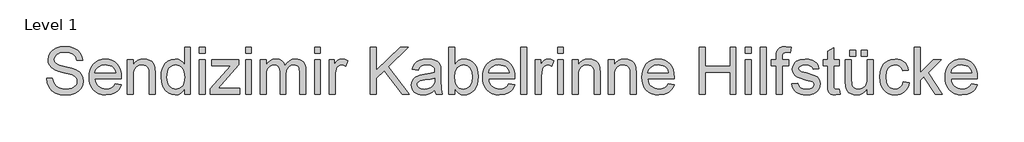
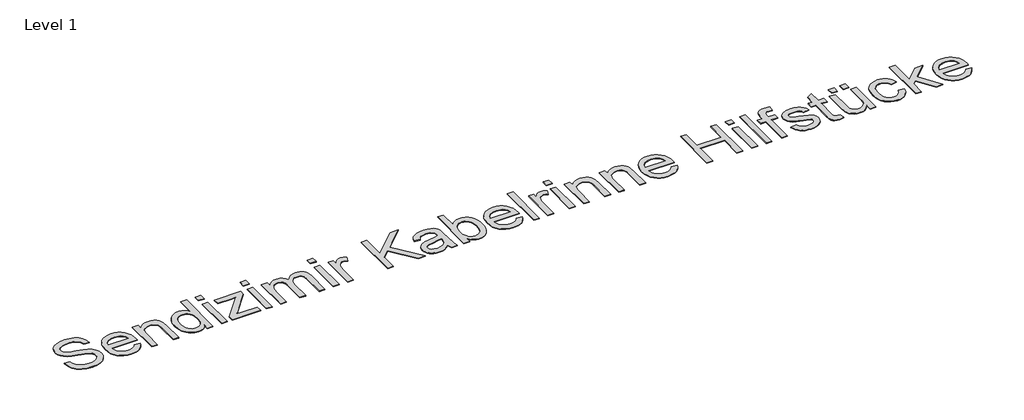
# One storey, part 10 of 15: 1 proxy.
"""IFC4 building model written with IfcOpenShell, lengths in millimetres."""

from ifc_helpers import new_model, si_unit, origin, origin_with_axes, place, context, project, spatial, polyline, outline, extrude, element, save

model = new_model("IFC4")

# Units and contexts
model_context = context("Model", 3, world=origin())
ifc_project = project(units=[si_unit("LENGTHUNIT", "METRE", prefix="MILLI")], contexts=[model_context])

# Site, building, storey
site = spatial("IfcSite", under=ifc_project)
building = spatial("IfcBuilding", under=site)
storey = spatial("IfcBuildingStorey", under=building, Name="Level 1", Elevation=0.0)

# Proxy
placement = place(None, origin())
element("IfcBuildingElementProxy", 1, Name="400mm", ObjectType="400mm", at=placement, inside=storey, context=model_context, shape_type="SweptSolid", body=[
    extrude(outline(polyline([(-11424.3162501, -14461.209106), (-11375.3465532, -14461.209106), (-11369.7274717, -14488.3839403), (-11359.5653032, -14510.2266249), (-11343.7123202, -14527.562089), (-11321.0207956, -14541.2152613), (-11293.2840532, -14550.0742812), (-11262.2954168, -14553.0272878), (-11235.0129831, -14550.7916107), (-11211.1259092, -14544.0845795), (-11191.769967, -14533.4681022), (-11178.0809282, -14519.5040871), (-11169.9392378, -14503.4717717), (-11167.225341, -14486.6503939), (-11169.2577748, -14470.2594138), (-11175.3550759, -14456.0921552), (-11187.740966, -14444.0051524), (-11208.6391668, -14433.8549393), (-11279.9417236, -14415.1565492), (-11326.7474765, -14402.7826145), (-11356.695985, -14391.0064545), (-11381.073234, -14374.5317859), (-11398.3489206, -14354.5661136), (-11408.6425996, -14331.5398352), (-11412.0738259, -14305.8833484), (-11407.8296261, -14277.2021221), (-11395.0970267, -14250.4576855), (-11374.2107814, -14227.7900719), (-11345.5056441, -14211.3393143), (-11311.0499149, -14201.3325672), (-11272.9118941, -14197.9969848), (-11231.5937123, -14201.4879886), (-11195.4403032, -14211.9609999), (-11165.74286, -14229.20082), (-11143.7925759, -14252.9922499), (-11129.9002937, -14281.8528087), (-11124.3768562, -14314.3000151), (-11173.3465532, -14314.3000151), (-11182.3370835, -14285.0807916), (-11201.0832956, -14263.991303), (-11230.374252, -14251.2228371), (-11270.9990153, -14246.9666818), (-11312.5802179, -14251.1750151), (-11328.4750451, -14256.4354318), (-11341.1060229, -14263.8000151), (-11357.6046024, -14282.3788503), (-11363.1041289, -14304.4486893), (-11359.2066384, -14323.2666344), (-11347.5141668, -14338.4022878), (-11319.8730683, -14351.9359052), (-11267.5558335, -14365.7564545), (-11213.5648297, -14378.8835852), (-11180.9024244, -14390.3369469), (-11152.9863496, -14408.1028087), (-11133.5108524, -14430.0291818), (-11122.0694462, -14455.8769564), (-11118.2556441, -14485.4070227), (-11122.6433098, -14515.594641), (-11135.806307, -14543.9889355), (-11157.2066384, -14568.4259621), (-11186.306307, -14586.7417765), (-11221.3000333, -14598.1831827), (-11260.382538, -14601.9969848), (-11308.3599291, -14597.8842954), (-11347.8489206, -14585.5462272), (-11379.3038212, -14564.9349583), (-11403.1789395, -14536.0026666), (-11418.5058808, -14500.7578749), (-11424.3162501, -14461.209106)])), origin_with_axes(), (0.0, 0.0, 1.0), 5.0),
    extrude(outline(polyline([(-10849.4961744, -14510.178803), (-10801.4829168, -14516.3000151), (-10808.8445113, -14535.5304247), (-10818.7825143, -14552.4773352), (-10831.296926, -14567.1407466), (-10846.3877463, -14579.520659), (-10863.8995539, -14589.3540515), (-10883.6769272, -14596.3779033), (-10930.0283713, -14601.9969848), (-10960.4132553, -14599.5730087), (-10987.4864679, -14592.3010804), (-11011.2480091, -14580.1812), (-11031.6978789, -14563.2133674), (-11048.1426588, -14541.8698245), (-11059.8889301, -14516.6228134), (-11066.9366928, -14487.472334), (-11069.2859471, -14454.4183863), (-11066.9127819, -14420.2436112), (-11059.7932861, -14390.121748), (-11047.9274599, -14364.0527968), (-11031.3153032, -14342.0367575), (-11010.9192331, -14324.5458721), (-10987.7016668, -14312.0523825), (-10961.6626043, -14304.5562888), (-10932.8020456, -14302.0575908), (-10904.8710264, -14304.550311), (-10879.6120598, -14312.0284715), (-10857.0251457, -14324.4920724), (-10837.1102842, -14341.9411136), (-10820.8538034, -14363.9093309), (-10809.2420314, -14389.9304602), (-10802.2749682, -14420.0045014), (-10799.9526138, -14454.1314545), (-10800.2395456, -14467.3303181), (-11020.3162501, -14467.3303181), (-11017.4798096, -14486.8715705), (-11011.839806, -14503.9858579), (-11003.3962395, -14518.6731803), (-10992.14911, -14530.9335378), (-10963.7309045, -14547.5038503), (-10929.071932, -14553.0272878), (-10903.0089585, -14550.4688124), (-10881.0586744, -14542.7933863), (-10863.2210797, -14529.5227897), (-10849.4961744, -14510.178803)]), holes=[polyline([(-11020.3162501, -14418.3606212), (-10848.9223107, -14418.3606212), (-10855.5456535, -14392.4889355), (-10868.5293183, -14373.9818333), (-10881.8836034, -14363.9392196), (-10897.0790342, -14356.7659242), (-10932.9933335, -14351.0272878), (-10966.0024481, -14355.6062414), (-10993.2968373, -14369.3431022), (-11012.2702037, -14390.7553891), (-11020.3162501, -14418.3606212)])]), origin_with_axes(), (0.0, 0.0, 1.0), 5.0),
    extrude(outline(polyline([(-10750.9829168, -14595.8757727), (-10750.9829168, -14308.178803), (-10702.0132198, -14308.178803), (-10702.0132198, -14348.3492575), (-10685.0005541, -14328.0966533), (-10664.5686176, -14313.6305075), (-10640.7174102, -14304.95082), (-10613.446932, -14302.0575908), (-10589.3087927, -14304.3889119), (-10567.2030873, -14311.3828749), (-10548.7677179, -14322.1667291), (-10535.6405873, -14335.8677234), (-10526.7337454, -14352.4499914), (-10520.9592426, -14371.8776666), (-10518.3768562, -14419.2214166), (-10518.3768562, -14595.8757727), (-10567.3465532, -14595.8757727), (-10567.3465532, -14425.8208484), (-10568.7573013, -14400.4991155), (-10572.9895456, -14382.4941439), (-10580.7964821, -14369.5941676), (-10592.931307, -14359.5874204), (-10608.4854026, -14353.167321), (-10626.5501517, -14351.0272878), (-10655.231378, -14355.8333958), (-10679.68036, -14370.2517196), (-10689.4509862, -14382.0219019), (-10696.4300049, -14398.108017), (-10700.6174161, -14418.5100648), (-10702.0132198, -14443.2280454), (-10702.0132198, -14595.8757727), (-10750.9829168, -14595.8757727)])), origin_with_axes(), (0.0, 0.0, 1.0), 5.0),
    extrude(outline(polyline([(-10273.5283713, -14595.8757727), (-10273.5283713, -14549.6797499), (-10288.1798273, -14572.5685402), (-10305.9277558, -14588.9176761), (-10326.7721569, -14598.7271576), (-10350.7130304, -14601.9969848), (-10382.3711744, -14597.2626098), (-10411.351288, -14583.0594848), (-10435.8839585, -14560.3799157), (-10454.1997729, -14530.2162083), (-10465.6053126, -14493.7878229), (-10469.4071592, -14452.3142196), (-10465.9041999, -14411.3547026), (-10455.3953221, -14374.364409), (-10437.8924812, -14343.4475056), (-10413.4076327, -14320.708159), (-10383.793878, -14306.7202329), (-10350.9043183, -14302.0575908), (-10326.9455115, -14305.3931732), (-10305.7603789, -14315.3999204), (-10287.8032293, -14330.7388172), (-10273.5283713, -14350.0708484), (-10273.5283713, -14204.1181969), (-10224.5586744, -14204.1181969), (-10224.5586744, -14595.8757727), (-10273.5283713, -14595.8757727)]), holes=[polyline([(-10420.4374623, -14452.1229318), (-10414.9140248, -14496.4180312), (-10408.0097279, -14513.7684396), (-10398.3437123, -14527.9207537), (-10374.2653505, -14546.7506543), (-10360.7377108, -14551.4581294), (-10346.2177653, -14553.0272878), (-10318.1821356, -14547.0375861), (-10294.7135039, -14529.068481), (-10285.4450084, -14515.5079637), (-10278.8246545, -14498.7852187), (-10273.5283713, -14455.8530454), (-10278.9202984, -14408.9157821), (-10285.6602073, -14390.8450553), (-10295.0960797, -14376.3729318), (-10306.5046083, -14365.2842125), (-10319.1624859, -14357.3636988), (-10333.0697125, -14352.6113906), (-10348.226288, -14351.0272878), (-10363.0331654, -14352.5486242), (-10376.5608051, -14357.1126335), (-10388.809207, -14364.7193155), (-10399.7783713, -14375.3686704), (-10408.8167236, -14389.2938302), (-10415.2726895, -14406.727927), (-10420.4374623, -14452.1229318)])]), origin_with_axes(), (0.0, 0.0, 1.0), 5.0),
    extrude(outline(polyline([(-10151.1041289, -14253.0878939), (-10151.1041289, -14204.1181969), (-10102.134432, -14204.1181969), (-10102.134432, -14253.0878939), (-10151.1041289, -14253.0878939)])), origin_with_axes(), (0.0, 0.0, 1.0), 5.0),
    extrude(outline(polyline([(-10151.1041289, -14595.8757727), (-10151.1041289, -14308.178803), (-10102.134432, -14308.178803), (-10102.134432, -14595.8757727), (-10151.1041289, -14595.8757727)])), origin_with_axes(), (0.0, 0.0, 1.0), 5.0),
    extrude(outline(polyline([(-10059.2859471, -14595.8757727), (-10059.2859471, -14549.7753939), (-9890.2831062, -14357.1484999), (-9940.3048865, -14357.1484999), (-10047.0435229, -14357.1484999), (-10047.0435229, -14308.178803), (-9820.5586744, -14308.178803), (-9820.5586744, -14349.7839166), (-9970.4327274, -14520.6996363), (-9993.3872729, -14546.9060757), (-9936.7660607, -14546.9060757), (-9814.4374623, -14546.9060757), (-9814.4374623, -14595.8757727), (-10059.2859471, -14595.8757727)])), origin_with_axes(), (0.0, 0.0, 1.0), 5.0),
    extrude(outline(polyline([(-9765.4677653, -14595.8757727), (-9765.4677653, -14308.178803), (-9716.4980683, -14308.178803), (-9716.4980683, -14595.8757727), (-9765.4677653, -14595.8757727)])), origin_with_axes(), (0.0, 0.0, 1.0), 5.0),
    extrude(outline(polyline([(-9765.4677653, -14253.0878939), (-9765.4677653, -14204.1181969), (-9716.4980683, -14204.1181969), (-9716.4980683, -14253.0878939), (-9765.4677653, -14253.0878939)])), origin_with_axes(), (0.0, 0.0, 1.0), 5.0),
    extrude(outline(polyline([(-9643.0435229, -14595.8757727), (-9643.0435229, -14308.178803), (-9594.0738259, -14308.178803), (-9594.0738259, -14355.522553), (-9579.3446592, -14333.7755123), (-9560.4071592, -14316.7389355), (-9537.9069225, -14305.727927), (-9512.4895456, -14302.0575908), (-9485.2549338, -14305.79966), (-9463.4242047, -14317.0258674), (-9447.116913, -14334.9949725), (-9436.4526138, -14358.9657348), (-9418.6030636, -14334.0684218), (-9398.24286, -14316.2846268), (-9375.372003, -14305.6143498), (-9349.9904926, -14302.0575908), (-9330.3864739, -14303.537083), (-9313.1795314, -14307.9755596), (-9298.3696651, -14315.3730205), (-9285.9568751, -14325.7294658), (-9276.1444047, -14339.1644505), (-9269.1354973, -14355.7975293), (-9264.9301528, -14375.6287024), (-9263.5283713, -14398.6579696), (-9263.5283713, -14595.8757727), (-9312.4980683, -14595.8757727), (-9312.4980683, -14419.6996363), (-9317.0411554, -14378.8118522), (-9323.4253884, -14367.5378229), (-9333.491913, -14358.678803), (-9346.4397113, -14352.9401666), (-9361.4677653, -14351.0272878), (-9387.997003, -14355.9290397), (-9409.6244888, -14370.6342954), (-9418.0142556, -14381.9143025), (-9424.0069462, -14396.1473162), (-9428.8010986, -14433.4723636), (-9428.8010986, -14595.8757727), (-9477.7707956, -14595.8757727), (-9477.7707956, -14414.2479318), (-9480.6042473, -14386.5590113), (-9489.1046024, -14366.8085378), (-9504.0609234, -14354.9726003), (-9526.2622729, -14351.0272878), (-9545.1280399, -14353.6574962), (-9562.5113259, -14361.5481212), (-9576.8579168, -14374.5078749), (-9586.6135986, -14392.3454696), (-9592.2087691, -14417.093339), (-9594.0738259, -14450.7839166), (-9594.0738259, -14595.8757727), (-9643.0435229, -14595.8757727)])), origin_with_axes(), (0.0, 0.0, 1.0), 5.0),
    extrude(outline(polyline([(-9190.0738259, -14595.8757727), (-9190.0738259, -14308.178803), (-9141.1041289, -14308.178803), (-9141.1041289, -14595.8757727), (-9190.0738259, -14595.8757727)])), origin_with_axes(), (0.0, 0.0, 1.0), 5.0),
    extrude(outline(polyline([(-9190.0738259, -14253.0878939), (-9190.0738259, -14204.1181969), (-9141.1041289, -14204.1181969), (-9141.1041289, -14253.0878939), (-9190.0738259, -14253.0878939)])), origin_with_axes(), (0.0, 0.0, 1.0), 5.0),
    extrude(outline(polyline([(-9067.6495835, -14595.8757727), (-9067.6495835, -14308.178803), (-9024.8010986, -14308.178803), (-9024.8010986, -14350.740356), (-9008.9720267, -14326.0642196), (-8994.3863259, -14311.5263408), (-8979.7528032, -14304.4247783), (-8963.7802653, -14302.0575908), (-8939.3910607, -14305.8355265), (-8914.6192804, -14317.1693333), (-8930.9743941, -14361.0699015), (-8948.1903032, -14353.5379412), (-8965.4062123, -14351.0272878), (-8980.0277795, -14353.4422973), (-8993.0951327, -14360.6873257), (-9003.6518325, -14372.2124204), (-9010.7414395, -14387.4676287), (-9016.6952748, -14414.8217954), (-9018.6798865, -14444.6627045), (-9018.6798865, -14595.8757727), (-9067.6495835, -14595.8757727)])), origin_with_axes(), (0.0, 0.0, 1.0), 5.0),
    extrude(outline(polyline([(-8724.8617047, -14595.8757727), (-8724.8617047, -14204.1181969), (-8675.8920077, -14204.1181969), (-8675.8920077, -14395.8842954), (-8475.039735, -14204.1181969), (-8406.5586744, -14204.1181969), (-8575.1789395, -14365.1825908), (-8400.4374623, -14595.8757727), (-8460.3105683, -14595.8757727), (-8609.8976895, -14398.2753939), (-8675.8920077, -14461.209106), (-8675.8920077, -14595.8757727), (-8724.8617047, -14595.8757727)])), origin_with_axes(), (0.0, 0.0, 1.0), 5.0),
    extrude(outline(polyline([(-8186.195038, -14559.1484999), (-8209.5919367, -14579.2098162), (-8233.6822539, -14592.3369469), (-8259.0159424, -14599.5819753), (-8286.1429547, -14601.9969848), (-8307.946784, -14600.5443925), (-8327.0666052, -14596.1866155), (-8343.5024185, -14588.9236538), (-8357.2542236, -14578.7555075), (-8368.1127996, -14566.3277731), (-8375.8689253, -14552.2860473), (-8380.5226008, -14536.63033), (-8382.0738259, -14519.3606212), (-8379.7305494, -14499.060195), (-8372.7007198, -14480.6248257), (-8361.8570882, -14464.8435757), (-8348.0724054, -14452.5055075), (-8313.7840532, -14436.4373257), (-8271.413788, -14429.0727424), (-8221.3441857, -14421.3255833), (-8186.4819698, -14412.239409), (-8186.195038, -14401.3359999), (-8189.5664869, -14379.4813598), (-8199.6808335, -14365.1825908), (-8222.3006251, -14354.5661136), (-8253.8153032, -14351.0272878), (-8282.9867047, -14353.3825198), (-8303.3588638, -14360.4482158), (-8317.251146, -14373.5155691), (-8326.9829168, -14393.8757727), (-8375.9526138, -14387.7545605), (-8367.4522587, -14360.9742575), (-8354.7674812, -14339.9325908), (-8336.7146876, -14323.840498), (-8312.1102842, -14311.9089166), (-8282.0183098, -14304.5204223), (-8247.5028032, -14302.0575908), (-8214.3980446, -14304.2334905), (-8188.1557388, -14310.7611893), (-8168.3693988, -14320.5766486), (-8154.632538, -14332.6158295), (-8145.5224528, -14347.5004176), (-8139.6164395, -14365.8520984), (-8137.225341, -14408.7005833), (-8137.225341, -14469.6257727), (-8134.7385986, -14554.7010568), (-8124.9829168, -14595.8757727), (-8173.9526138, -14595.8757727), (-8181.7954168, -14578.8511515), (-8186.195038, -14559.1484999)]), holes=[polyline([(-8186.195038, -14461.209106), (-8219.0965532, -14469.3627518), (-8265.196932, -14476.2252045), (-8307.3280873, -14484.1636515), (-8318.2912738, -14489.591445), (-8326.4090532, -14497.0755833), (-8331.43036, -14506.0422026), (-8333.1041289, -14515.9174393), (-8329.4577037, -14530.4792291), (-8318.5184282, -14542.4108105), (-8300.5254121, -14550.3731685), (-8275.7177653, -14553.0272878), (-8249.415682, -14550.0981922), (-8226.1742047, -14541.3109052), (-8207.3323486, -14528.3631069), (-8194.2291289, -14512.9524772), (-8188.4187596, -14497.0755833), (-8186.4819698, -14475.0774772), (-8186.195038, -14461.209106)])]), origin_with_axes(), (0.0, 0.0, 1.0), 5.0),
    extrude(outline(polyline([(-8020.9223107, -14595.8757727), (-8069.8920077, -14595.8757727), (-8069.8920077, -14204.1181969), (-8020.9223107, -14204.1181969), (-8020.9223107, -14349.4013408), (-8004.8182624, -14328.6884502), (-7986.6339585, -14313.8935283), (-7966.3693988, -14305.0165752), (-7944.0245835, -14302.0575908), (-7918.7984945, -14304.7236657), (-7894.9592426, -14312.7218901), (-7873.8697539, -14325.5501335), (-7856.8929547, -14342.7062651), (-7843.5864916, -14364.0229081), (-7833.5080115, -14389.3326855), (-7827.159645, -14417.5835141), (-7825.0435229, -14447.7233105), (-7827.2343668, -14482.501838), (-7833.8068988, -14513.0959431), (-7844.7611187, -14539.5056259), (-7860.0970267, -14561.7308863), (-7878.5054961, -14579.3473044), (-7898.6774007, -14591.9304602), (-7920.6127404, -14599.4803536), (-7944.3115153, -14601.9969848), (-7967.3915934, -14598.7510686), (-7987.8534187, -14589.01332), (-8005.6969911, -14572.783739), (-8020.9223107, -14550.0623257), (-8020.9223107, -14595.8757727)]), holes=[polyline([(-8020.9223107, -14450.0187651), (-8017.5747729, -14490.8587272), (-8007.5321592, -14518.4998257), (-7995.666333, -14533.6055904), (-7981.8756725, -14544.3954223), (-7966.1601777, -14550.8693214), (-7948.5198486, -14553.0272878), (-7933.8743704, -14551.4372073), (-7920.2570645, -14546.6669658), (-7896.1069698, -14527.5859999), (-7886.4409542, -14513.3051642), (-7879.5366573, -14495.903945), (-7874.0132198, -14451.740356), (-7879.309503, -14406.9311704), (-7885.9298569, -14389.5837509), (-7895.1983524, -14375.6077802), (-7918.5952511, -14357.1724109), (-7931.952525, -14352.5635686), (-7946.415682, -14351.0272878), (-7961.0611602, -14352.6173683), (-7974.678466, -14357.3876098), (-7998.8285607, -14376.4685757), (-8008.4945764, -14390.6059455), (-8015.3988732, -14407.576767), (-8020.9223107, -14450.0187651)])]), origin_with_axes(), (0.0, 0.0, 1.0), 5.0),
    extrude(outline(polyline([(-7568.5264774, -14510.178803), (-7520.5132198, -14516.3000151), (-7527.8748143, -14535.5304247), (-7537.8128174, -14552.4773352), (-7550.3272291, -14567.1407466), (-7565.4180494, -14579.520659), (-7582.9298569, -14589.3540515), (-7602.7072302, -14596.3779033), (-7649.0586744, -14601.9969848), (-7679.4435584, -14599.5730087), (-7706.516771, -14592.3010804), (-7730.2783122, -14580.1812), (-7750.728182, -14563.2133674), (-7767.1729618, -14541.8698245), (-7778.9192331, -14516.6228134), (-7785.9669959, -14487.472334), (-7788.3162501, -14454.4183863), (-7785.9430849, -14420.2436112), (-7778.8235892, -14390.121748), (-7766.9577629, -14364.0527968), (-7750.3456062, -14342.0367575), (-7729.9495361, -14324.5458721), (-7706.7319698, -14312.0523825), (-7680.6929073, -14304.5562888), (-7651.8323486, -14302.0575908), (-7623.9013294, -14304.550311), (-7598.6423628, -14312.0284715), (-7576.0554488, -14324.4920724), (-7556.1405873, -14341.9411136), (-7539.8841064, -14363.9093309), (-7528.2723344, -14389.9304602), (-7521.3052712, -14420.0045014), (-7518.9829168, -14454.1314545), (-7519.2698486, -14467.3303181), (-7739.3465532, -14467.3303181), (-7736.5101126, -14486.8715705), (-7730.870109, -14503.9858579), (-7722.4265425, -14518.6731803), (-7711.179413, -14530.9335378), (-7682.7612075, -14547.5038503), (-7648.102235, -14553.0272878), (-7622.0392615, -14550.4688124), (-7600.0889774, -14542.7933863), (-7582.2513827, -14529.5227897), (-7568.5264774, -14510.178803)]), holes=[polyline([(-7739.3465532, -14418.3606212), (-7567.9526138, -14418.3606212), (-7574.5759566, -14392.4889355), (-7587.5596213, -14373.9818333), (-7600.9139064, -14363.9392196), (-7616.1093373, -14356.7659242), (-7652.0236365, -14351.0272878), (-7685.0327511, -14355.6062414), (-7712.3271403, -14369.3431022), (-7731.3005068, -14390.7553891), (-7739.3465532, -14418.3606212)])]), origin_with_axes(), (0.0, 0.0, 1.0), 5.0),
    extrude(outline(polyline([(-7470.0132198, -14595.8757727), (-7470.0132198, -14204.1181969), (-7421.0435229, -14204.1181969), (-7421.0435229, -14595.8757727), (-7470.0132198, -14595.8757727)])), origin_with_axes(), (0.0, 0.0, 1.0), 5.0),
    extrude(outline(polyline([(-7347.5889774, -14595.8757727), (-7347.5889774, -14308.178803), (-7304.7404926, -14308.178803), (-7304.7404926, -14350.740356), (-7288.9114206, -14326.0642196), (-7274.3257198, -14311.5263408), (-7259.6921971, -14304.4247783), (-7243.7196592, -14302.0575908), (-7219.3304547, -14305.8355265), (-7194.5586744, -14317.1693333), (-7210.913788, -14361.0699015), (-7228.1296971, -14353.5379412), (-7245.3456062, -14351.0272878), (-7259.9671734, -14353.4422973), (-7273.0345267, -14360.6873257), (-7283.5912265, -14372.2124204), (-7290.6808335, -14387.4676287), (-7296.6346687, -14414.8217954), (-7298.6192804, -14444.6627045), (-7298.6192804, -14595.8757727), (-7347.5889774, -14595.8757727)])), origin_with_axes(), (0.0, 0.0, 1.0), 5.0),
    extrude(outline(polyline([(-7163.9526138, -14595.8757727), (-7163.9526138, -14308.178803), (-7114.9829168, -14308.178803), (-7114.9829168, -14595.8757727), (-7163.9526138, -14595.8757727)])), origin_with_axes(), (0.0, 0.0, 1.0), 5.0),
    extrude(outline(polyline([(-7163.9526138, -14253.0878939), (-7163.9526138, -14204.1181969), (-7114.9829168, -14204.1181969), (-7114.9829168, -14253.0878939), (-7163.9526138, -14253.0878939)])), origin_with_axes(), (0.0, 0.0, 1.0), 5.0),
    extrude(outline(polyline([(-7041.5283713, -14595.8757727), (-7041.5283713, -14308.178803), (-6992.5586744, -14308.178803), (-6992.5586744, -14348.3492575), (-6975.5460087, -14328.0966533), (-6955.1140721, -14313.6305075), (-6931.2628647, -14304.95082), (-6903.9923865, -14302.0575908), (-6879.8542473, -14304.3889119), (-6857.7485418, -14311.3828749), (-6839.3131725, -14322.1667291), (-6826.1860418, -14335.8677234), (-6817.2791999, -14352.4499914), (-6811.5046971, -14371.8776666), (-6808.9223107, -14419.2214166), (-6808.9223107, -14595.8757727), (-6857.8920077, -14595.8757727), (-6857.8920077, -14425.8208484), (-6859.3027558, -14400.4991155), (-6863.5350001, -14382.4941439), (-6871.3419367, -14369.5941676), (-6883.4767615, -14359.5874204), (-6899.0308571, -14353.167321), (-6917.0956062, -14351.0272878), (-6945.7768325, -14355.8333958), (-6970.2258145, -14370.2517196), (-6979.9964407, -14382.0219019), (-6986.9754594, -14398.108017), (-6991.1628706, -14418.5100648), (-6992.5586744, -14443.2280454), (-6992.5586744, -14595.8757727), (-7041.5283713, -14595.8757727)])), origin_with_axes(), (0.0, 0.0, 1.0), 5.0),
    extrude(outline(polyline([(-6741.5889774, -14595.8757727), (-6741.5889774, -14308.178803), (-6692.6192804, -14308.178803), (-6692.6192804, -14348.3492575), (-6675.6066147, -14328.0966533), (-6655.1746782, -14313.6305075), (-6631.3234708, -14304.95082), (-6604.0529926, -14302.0575908), (-6579.9148534, -14304.3889119), (-6557.8091479, -14311.3828749), (-6539.3737785, -14322.1667291), (-6526.2466479, -14335.8677234), (-6517.339806, -14352.4499914), (-6511.5653032, -14371.8776666), (-6508.9829168, -14419.2214166), (-6508.9829168, -14595.8757727), (-6557.9526138, -14595.8757727), (-6557.9526138, -14425.8208484), (-6559.3633619, -14400.4991155), (-6563.5956062, -14382.4941439), (-6571.4025427, -14369.5941676), (-6583.5373676, -14359.5874204), (-6599.0914632, -14353.167321), (-6617.1562123, -14351.0272878), (-6645.8374386, -14355.8333958), (-6670.2864206, -14370.2517196), (-6680.0570468, -14382.0219019), (-6687.0360655, -14398.108017), (-6691.2234767, -14418.5100648), (-6692.6192804, -14443.2280454), (-6692.6192804, -14595.8757727), (-6741.5889774, -14595.8757727)])), origin_with_axes(), (0.0, 0.0, 1.0), 5.0),
    extrude(outline(polyline([(-6240.2234471, -14510.178803), (-6192.2101895, -14516.3000151), (-6199.571784, -14535.5304247), (-6209.5097871, -14552.4773352), (-6222.0241988, -14567.1407466), (-6237.1150191, -14579.520659), (-6254.6268266, -14589.3540515), (-6274.4041999, -14596.3779033), (-6320.7556441, -14601.9969848), (-6351.1405281, -14599.5730087), (-6378.2137407, -14592.3010804), (-6401.9752819, -14580.1812), (-6422.4251517, -14563.2133674), (-6438.8699315, -14541.8698245), (-6450.6162028, -14516.6228134), (-6457.6639656, -14487.472334), (-6460.0132198, -14454.4183863), (-6457.6400546, -14420.2436112), (-6450.5205588, -14390.121748), (-6438.6547326, -14364.0527968), (-6422.0425759, -14342.0367575), (-6401.6465058, -14324.5458721), (-6378.4289395, -14312.0523825), (-6352.389877, -14304.5562888), (-6323.5293183, -14302.0575908), (-6295.5982991, -14304.550311), (-6270.3393325, -14312.0284715), (-6247.7524185, -14324.4920724), (-6227.837557, -14341.9411136), (-6211.5810761, -14363.9093309), (-6199.9693041, -14389.9304602), (-6193.0022409, -14420.0045014), (-6190.6798865, -14454.1314545), (-6190.9668183, -14467.3303181), (-6411.0435229, -14467.3303181), (-6408.2070823, -14486.8715705), (-6402.5670787, -14503.9858579), (-6394.1235122, -14518.6731803), (-6382.8763827, -14530.9335378), (-6354.4581772, -14547.5038503), (-6319.7992047, -14553.0272878), (-6293.7362312, -14550.4688124), (-6271.7859471, -14542.7933863), (-6253.9483524, -14529.5227897), (-6240.2234471, -14510.178803)]), holes=[polyline([(-6411.0435229, -14418.3606212), (-6239.6495835, -14418.3606212), (-6246.2729263, -14392.4889355), (-6259.256591, -14373.9818333), (-6272.6108761, -14363.9392196), (-6287.806307, -14356.7659242), (-6323.7206062, -14351.0272878), (-6356.7297208, -14355.6062414), (-6384.02411, -14369.3431022), (-6402.9974765, -14390.7553891), (-6411.0435229, -14418.3606212)])]), origin_with_axes(), (0.0, 0.0, 1.0), 5.0),
    extrude(outline(polyline([(-5982.5586744, -14595.8757727), (-5982.5586744, -14204.1181969), (-5933.5889774, -14204.1181969), (-5933.5889774, -14363.2697121), (-5725.4677653, -14363.2697121), (-5725.4677653, -14204.1181969), (-5676.4980683, -14204.1181969), (-5676.4980683, -14595.8757727), (-5725.4677653, -14595.8757727), (-5725.4677653, -14412.239409), (-5933.5889774, -14412.239409), (-5933.5889774, -14595.8757727), (-5982.5586744, -14595.8757727)])), origin_with_axes(), (0.0, 0.0, 1.0), 5.0),
    extrude(outline(polyline([(-5596.9223107, -14595.8757727), (-5596.9223107, -14308.178803), (-5547.9526138, -14308.178803), (-5547.9526138, -14595.8757727), (-5596.9223107, -14595.8757727)])), origin_with_axes(), (0.0, 0.0, 1.0), 5.0),
    extrude(outline(polyline([(-5596.9223107, -14253.0878939), (-5596.9223107, -14204.1181969), (-5547.9526138, -14204.1181969), (-5547.9526138, -14253.0878939), (-5596.9223107, -14253.0878939)])), origin_with_axes(), (0.0, 0.0, 1.0), 5.0),
    extrude(outline(polyline([(-5474.4980683, -14595.8757727), (-5474.4980683, -14204.1181969), (-5425.5283713, -14204.1181969), (-5425.5283713, -14595.8757727), (-5474.4980683, -14595.8757727)])), origin_with_axes(), (0.0, 0.0, 1.0), 5.0),
    extrude(outline(polyline([(-5339.8314017, -14595.8757727), (-5339.8314017, -14357.1484999), (-5382.6798865, -14357.1484999), (-5382.6798865, -14308.178803), (-5339.8314017, -14308.178803), (-5339.8314017, -14279.1986893), (-5338.5402085, -14255.2159715), (-5334.6666289, -14238.3587272), (-5324.8153032, -14222.0753465), (-5309.6079168, -14209.1873257), (-5288.3271403, -14200.79457), (-5260.2556441, -14197.9969848), (-5215.5899244, -14203.3530454), (-5222.7632198, -14249.2621363), (-5250.978182, -14246.9666818), (-5269.5928837, -14248.9991155), (-5281.8233524, -14255.0964166), (-5288.6021166, -14266.7410662), (-5290.8617047, -14285.4155454), (-5290.8617047, -14308.178803), (-5235.7707956, -14308.178803), (-5235.7707956, -14357.1484999), (-5290.8617047, -14357.1484999), (-5290.8617047, -14595.8757727), (-5339.8314017, -14595.8757727)])), origin_with_axes(), (0.0, 0.0, 1.0), 5.0),
    extrude(outline(polyline([(-5211.2859471, -14510.178803), (-5162.3162501, -14504.0575908), (-5154.593002, -14525.0036136), (-5139.6486365, -14540.4022878), (-5117.3875096, -14549.8710378), (-5087.7139774, -14553.0272878), (-5058.39911, -14550.1340587), (-5037.787841, -14541.4543712), (-5025.5932388, -14528.8771931), (-5021.5283713, -14514.2914924), (-5025.6171498, -14501.8099583), (-5037.883485, -14492.2933863), (-5088.287841, -14478.3293712), (-5162.0293183, -14454.3705643), (-5180.691842, -14442.3313835), (-5194.2135039, -14426.3947121), (-5202.4269272, -14407.576767), (-5205.164735, -14386.8937651), (-5202.9649244, -14367.9203986), (-5196.3654926, -14350.4056022), (-5185.9642142, -14335.0427944), (-5172.3588638, -14322.5253939), (-5141.2267615, -14308.0353371), (-5099.0956062, -14302.0575908), (-5067.2222634, -14304.4606448), (-5039.509432, -14311.6698068), (-5017.2243941, -14322.9797026), (-5001.634432, -14337.6849583), (-4991.3048865, -14356.8735236), (-4984.8010986, -14381.6333484), (-5033.7707956, -14387.7545605), (-5039.9517852, -14372.3439308), (-5052.1822539, -14360.7351477), (-5070.5817568, -14353.4542528), (-5095.2698486, -14351.0272878), (-5123.3891668, -14353.3466533), (-5142.1353789, -14360.3047499), (-5152.6801232, -14370.3473636), (-5156.195038, -14381.9202802), (-5150.3607577, -14396.1712272), (-5132.0927653, -14406.9789924), (-5089.913788, -14417.4041818), (-5018.0373676, -14440.4543712), (-4999.0520456, -14451.4773352), (-4984.6576327, -14466.5651666), (-4975.583414, -14485.7656874), (-4972.5586744, -14509.1267196), (-4976.1094556, -14533.2768143), (-4986.7617994, -14555.9922499), (-5004.1092189, -14575.4916581), (-5027.7452274, -14589.9936704), (-5056.2949433, -14598.9961562), (-5088.383485, -14601.9969848), (-5114.739368, -14600.5503702), (-5137.7596687, -14596.2105265), (-5157.444387, -14588.9774535), (-5173.7935229, -14578.8511515), (-5187.1478079, -14565.8794422), (-5197.8479736, -14550.1101477), (-5205.89402, -14531.5432679), (-5211.2859471, -14510.178803)])), origin_with_axes(), (0.0, 0.0, 1.0), 5.0),
    extrude(outline(polyline([(-4813.4071592, -14555.0358105), (-4807.2859471, -14597.3104318), (-4843.9175759, -14601.9969848), (-4867.422074, -14599.9645511), (-4884.9488259, -14593.8672499), (-4897.334716, -14584.4702329), (-4905.4166289, -14572.5386515), (-4909.8640721, -14552.0469374), (-4911.3465532, -14516.9695227), (-4911.3465532, -14357.1484999), (-4948.0738259, -14357.1484999), (-4948.0738259, -14308.178803), (-4911.3465532, -14308.178803), (-4911.3465532, -14238.2630833), (-4862.3768562, -14209.4742575), (-4862.3768562, -14308.178803), (-4813.4071592, -14308.178803), (-4813.4071592, -14357.1484999), (-4862.3768562, -14357.1484999), (-4862.3768562, -14515.5348636), (-4859.7944698, -14540.7848636), (-4851.4256251, -14549.7275719), (-4834.7357577, -14553.0272878), (-4813.4071592, -14555.0358105)])), origin_with_axes(), (0.0, 0.0, 1.0), 5.0),
    extrude(outline(polyline([(-4629.7707956, -14277.5727424), (-4629.7707956, -14228.6030454), (-4580.8010986, -14228.6030454), (-4580.8010986, -14277.5727424), (-4629.7707956, -14277.5727424)])), origin_with_axes(), (0.0, 0.0, 1.0), 5.0),
    extrude(outline(polyline([(-4727.7101895, -14277.5727424), (-4727.7101895, -14228.6030454), (-4678.7404926, -14228.6030454), (-4678.7404926, -14277.5727424), (-4727.7101895, -14277.5727424)])), origin_with_axes(), (0.0, 0.0, 1.0), 5.0),
    extrude(outline(polyline([(-4580.8010986, -14595.8757727), (-4580.8010986, -14546.427856), (-4598.5191384, -14570.7393498), (-4619.1543183, -14588.1047026), (-4642.7066384, -14598.5239142), (-4669.1760986, -14601.9969848), (-4693.027306, -14599.5580643), (-4715.2286554, -14592.241303), (-4733.8553126, -14581.2422499), (-4746.9824433, -14567.7564545), (-4755.8175522, -14551.3774299), (-4761.5681441, -14531.6986893), (-4764.4374623, -14486.1721742), (-4764.4374623, -14308.178803), (-4715.4677653, -14308.178803), (-4715.4677653, -14463.1219848), (-4712.5028032, -14513.0481212), (-4705.3653742, -14529.7021221), (-4693.1349054, -14542.3629886), (-4676.6243704, -14550.361213), (-4656.6467426, -14553.0272878), (-4635.5213874, -14550.3014355), (-4615.7589585, -14542.1238787), (-4599.4636223, -14529.2478134), (-4588.7395456, -14512.4264355), (-4582.7857104, -14489.3882016), (-4580.8010986, -14457.8615681), (-4580.8010986, -14308.178803), (-4531.8314017, -14308.178803), (-4531.8314017, -14595.8757727), (-4580.8010986, -14595.8757727)])), origin_with_axes(), (0.0, 0.0, 1.0), 5.0),
    extrude(outline(polyline([(-4280.8617047, -14491.8151666), (-4231.8920077, -14497.9363787), (-4237.2181796, -14521.0433567), (-4245.5451801, -14541.4902376), (-4256.8730091, -14559.2770215), (-4271.2016668, -14574.4037083), (-4287.9274007, -14586.4757667), (-4306.4464585, -14595.0986657), (-4326.7588401, -14600.272405), (-4348.8645456, -14601.9969848), (-4376.3293006, -14599.5909419), (-4400.9546261, -14592.3728134), (-4422.7405222, -14580.3425991), (-4441.6869888, -14563.5002992), (-4457.0228967, -14542.1627341), (-4467.9771166, -14516.6467244), (-4474.5496486, -14486.9522701), (-4476.7404926, -14453.0793712), (-4472.9984234, -14409.5016013), (-4461.772216, -14371.7342007), (-4442.882538, -14341.2357395), (-4416.150057, -14319.4647878), (-4384.1691147, -14306.4093901), (-4349.5340532, -14302.0575908), (-4327.8079346, -14303.5520274), (-4308.1560939, -14308.0353371), (-4290.5785311, -14315.5075198), (-4275.0752463, -14325.9685757), (-4261.9092603, -14339.1793948), (-4251.3435939, -14354.9008674), (-4243.3782471, -14373.1329933), (-4238.0132198, -14393.8757727), (-4286.9829168, -14399.9969848), (-4295.8658477, -14378.6325198), (-4309.6983524, -14363.317534), (-4327.7152795, -14354.0998494), (-4349.1514774, -14351.0272878), (-4365.790534, -14352.5396576), (-4380.7976659, -14357.076767), (-4394.172873, -14364.6386159), (-4405.9161554, -14375.2252045), (-4415.4775605, -14389.0816202), (-4422.3071356, -14406.4529507), (-4427.7707956, -14451.740356), (-4422.4266905, -14497.6374914), (-4415.7465591, -14515.125388), (-4406.3943751, -14528.9728371), (-4394.8842248, -14539.4966593), (-4381.7301943, -14547.0136751), (-4366.9322835, -14551.5238846), (-4350.4904926, -14553.0272878), (-4325.1328931, -14549.2732632), (-4304.3422918, -14538.0111893), (-4289.2185939, -14518.9541344), (-4280.8617047, -14491.8151666)])), origin_with_axes(), (0.0, 0.0, 1.0), 5.0),
    extrude(outline(polyline([(-4189.0435229, -14595.8757727), (-4189.0435229, -14204.1181969), (-4140.0738259, -14204.1181969), (-4140.0738259, -14414.6305075), (-4030.2745835, -14308.178803), (-3962.5586744, -14308.178803), (-4073.696932, -14415.9695227), (-3956.4374623, -14595.8757727), (-4013.632538, -14595.8757727), (-4108.7982577, -14450.0187651), (-4140.0738259, -14480.3378939), (-4140.0738259, -14595.8757727), (-4189.0435229, -14595.8757727)])), origin_with_axes(), (0.0, 0.0, 1.0), 5.0),
    extrude(outline(polyline([(-3712.162841, -14510.178803), (-3664.1495835, -14516.3000151), (-3671.5111779, -14535.5304247), (-3681.449181, -14552.4773352), (-3693.9635927, -14567.1407466), (-3709.054413, -14579.520659), (-3726.5662205, -14589.3540515), (-3746.3435939, -14596.3779033), (-3792.695038, -14601.9969848), (-3823.079922, -14599.5730087), (-3850.1531346, -14592.3010804), (-3873.9146758, -14580.1812), (-3894.3645456, -14563.2133674), (-3910.8093254, -14541.8698245), (-3922.5555967, -14516.6228134), (-3929.6033595, -14487.472334), (-3931.9526138, -14454.4183863), (-3929.5794485, -14420.2436112), (-3922.4599528, -14390.121748), (-3910.5941266, -14364.0527968), (-3893.9819698, -14342.0367575), (-3873.5858998, -14324.5458721), (-3850.3683335, -14312.0523825), (-3824.329271, -14304.5562888), (-3795.4687123, -14302.0575908), (-3767.5376931, -14304.550311), (-3742.2787265, -14312.0284715), (-3719.6918124, -14324.4920724), (-3699.7769509, -14341.9411136), (-3683.5204701, -14363.9093309), (-3671.9086981, -14389.9304602), (-3664.9416348, -14420.0045014), (-3662.6192804, -14454.1314545), (-3662.9062123, -14467.3303181), (-3882.9829168, -14467.3303181), (-3880.1464762, -14486.8715705), (-3874.5064727, -14503.9858579), (-3866.0629061, -14518.6731803), (-3854.8157767, -14530.9335378), (-3826.3975712, -14547.5038503), (-3791.7385986, -14553.0272878), (-3765.6756251, -14550.4688124), (-3743.725341, -14542.7933863), (-3725.8877463, -14529.5227897), (-3712.162841, -14510.178803)]), holes=[polyline([(-3882.9829168, -14418.3606212), (-3711.5889774, -14418.3606212), (-3718.2123202, -14392.4889355), (-3731.195985, -14373.9818333), (-3744.55027, -14363.9392196), (-3759.7457009, -14356.7659242), (-3795.6600001, -14351.0272878), (-3828.6691147, -14355.6062414), (-3855.9635039, -14369.3431022), (-3874.9368704, -14390.7553891), (-3882.9829168, -14418.3606212)])]), origin_with_axes(), (0.0, 0.0, 1.0), 5.0),
])

save(model, "model.ifc")
